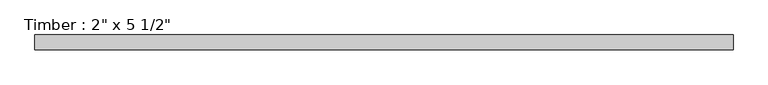
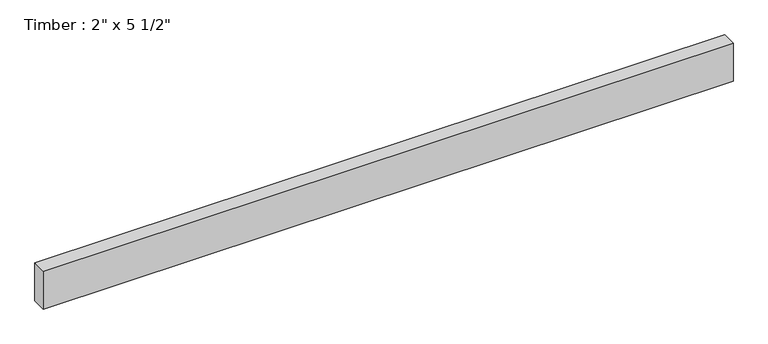
"""IFC4 building model written with IfcOpenShell, lengths in millimetres: beam geometry."""

from ifc_helpers import new_model, si_unit, frame, origin, place, context, project, spatial, polyline, outline, extrude, source, transform, mapped, element, save


def beam_db8e9fec(model_context):
    return source(origin(), model_context, "Body", "SweptSolid", [
        extrude(outline(polyline([(1204.5728976, 25.4), (1204.5728976, -25.4), (-1204.556276, -25.4), (-1204.556276, 25.4), (1204.5728976, 25.4)])), frame((0.0, 0.0, -69.85), z_axis=(0.0, 0.0, 1.0), x_axis=(1.0, 0.0, 0.0)), (0.0, 0.0, 1.0), 139.7),
    ])


if __name__ == "__main__":
    model = new_model("IFC4")
    model_context = context("Model", 3, world=origin())
    ifc_project = project(units=[si_unit("LENGTHUNIT", "METRE", prefix="MILLI")], contexts=[model_context])
    site = spatial("IfcSite", under=ifc_project)
    building = spatial("IfcBuilding", under=site)
    placement = place(None, origin())
    beam_shape = beam_db8e9fec(model_context)
    element("IfcBeam", 1, ObjectType="Timber : 2\" x 5 1/2\"", at=placement, inside=building, context=model_context, shape_type="MappedRepresentation", body=[
        mapped(beam_shape, transform((0.0, 0.0, 0.0), x_axis=(1.0, 0.0, 0.0), y_axis=(0.0, 1.0, 0.0), z_axis=(0.0, 0.0, 1.0))),
    ])
    save(model, "model.ifc")
